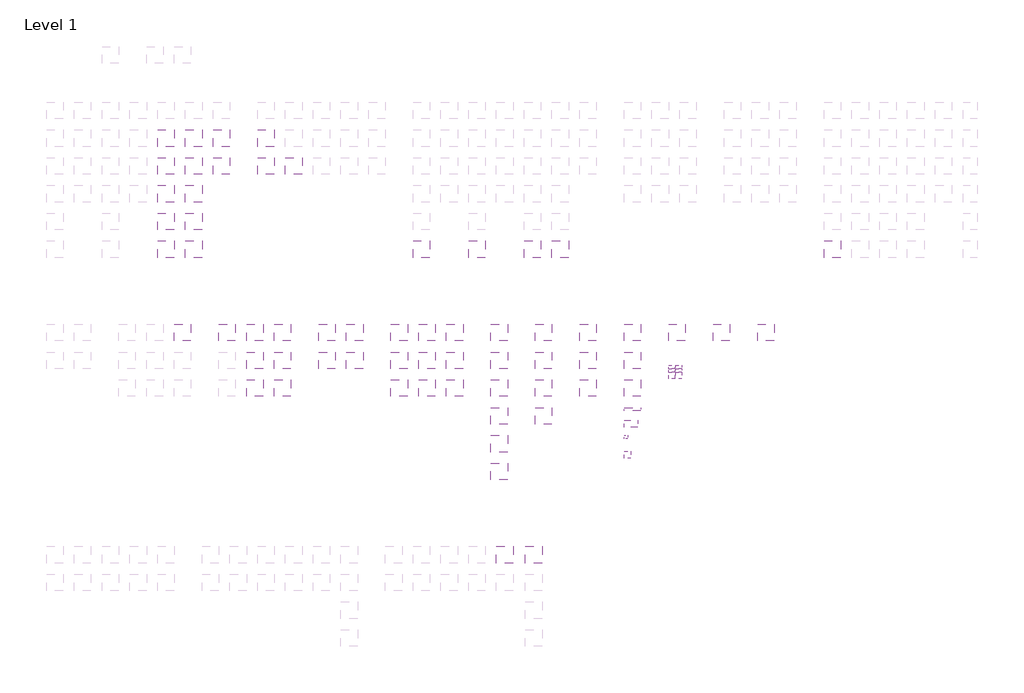
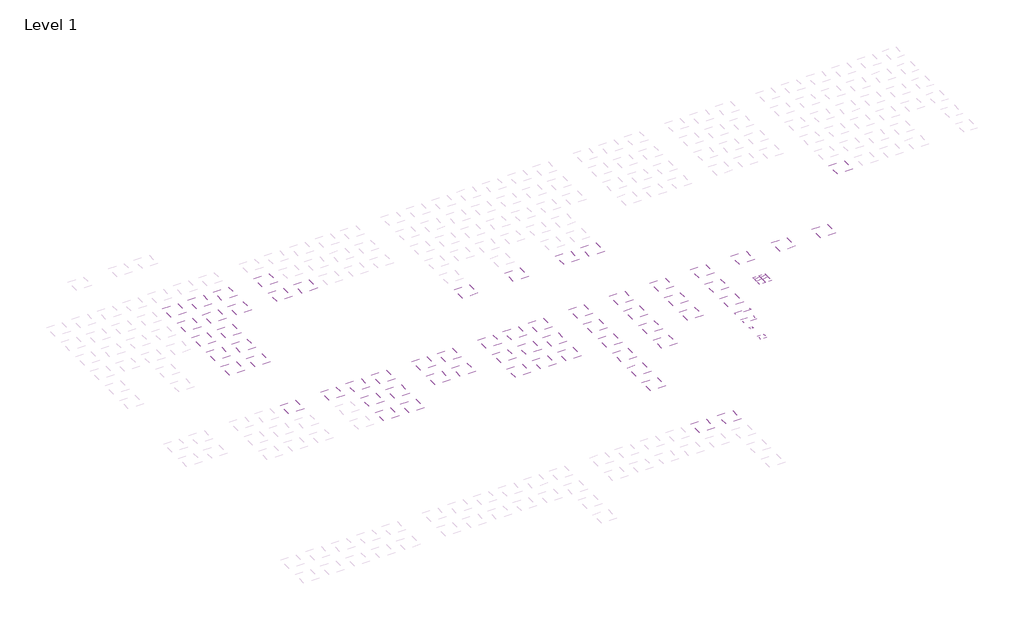
# One storey, part 2 of 90: 72 coverings.
"""IFC4 building model written with IfcOpenShell, lengths in millimetres."""

from ifc_helpers import new_model, si_unit, frame, origin, place, context, project, spatial, polyline, outline, extrude, element, save

model = new_model("IFC4")

# Units and contexts
model_context = context("Model", 3, world=origin())
ifc_project = project(units=[si_unit("LENGTHUNIT", "METRE", prefix="MILLI")], contexts=[model_context])

# Site, building, storey
site = spatial("IfcSite", under=ifc_project)
building = spatial("IfcBuilding", under=site)
storey = spatial("IfcBuildingStorey", under=building, Name="Level 1", Elevation=0.0)

# Coverings
placement = place(None, origin())
element("IfcCovering", 1, at=placement, inside=storey, context=model_context, shape_type="SweptSolid", body=[
    extrude(outline(polyline([(81921.3888175, -82496.7559295), (81921.3888175, -85496.7559295), (78921.3888175, -85496.7559295), (78921.3888175, -82496.7559295), (81921.3888175, -82496.7559295)])), frame((0.0, 0.0, 2600.0), z_axis=(0.0, 0.0, 1.0), x_axis=(1.0, 0.0, 0.0)), (0.0, 0.0, 1.0), 48.0),
])
element("IfcCovering", 2, at=placement, inside=storey, context=model_context, shape_type="SweptSolid", body=[
    extrude(outline(polyline([(81921.3888175, -87496.7559295), (81921.3888175, -90496.7559295), (78921.3888175, -90496.7559295), (78921.3888175, -87496.7559295), (81921.3888175, -87496.7559295)])), frame((0.0, 0.0, 2600.0), z_axis=(0.0, 0.0, 1.0), x_axis=(1.0, 0.0, 0.0)), (0.0, 0.0, 1.0), 48.0),
])
element("IfcCovering", 3, at=placement, inside=storey, context=model_context, shape_type="SweptSolid", body=[
    extrude(outline(polyline([(16921.3888175, -82496.7559295), (16921.3888175, -85496.7559295), (13921.3888175, -85496.7559295), (13921.3888175, -82496.7559295), (16921.3888175, -82496.7559295)])), frame((0.0, 0.0, 2600.0), z_axis=(0.0, 0.0, 1.0), x_axis=(1.0, 0.0, 0.0)), (0.0, 0.0, 1.0), 38.0),
])
element("IfcCovering", 4, at=placement, inside=storey, context=model_context, shape_type="SweptSolid", body=[
    extrude(outline(polyline([(26921.3888175, -82496.7559295), (26921.3888175, -85496.7559295), (23921.3888175, -85496.7559295), (23921.3888175, -82496.7559295), (26921.3888175, -82496.7559295)])), frame((0.0, 0.0, 2600.0), z_axis=(0.0, 0.0, 1.0), x_axis=(1.0, 0.0, 0.0)), (0.0, 0.0, 1.0), 48.0),
])
element("IfcCovering", 5, at=placement, inside=storey, context=model_context, shape_type="SweptSolid", body=[
    extrude(outline(polyline([(26921.3888175, -87496.7559295), (26921.3888175, -90496.7559295), (23921.3888175, -90496.7559295), (23921.3888175, -87496.7559295), (26921.3888175, -87496.7559295)])), frame((0.0, 0.0, 2600.0), z_axis=(0.0, 0.0, 1.0), x_axis=(1.0, 0.0, 0.0)), (0.0, 0.0, 1.0), 48.0),
])
element("IfcCovering", 6, at=placement, inside=storey, context=model_context, shape_type="SweptSolid", body=[
    extrude(outline(polyline([(51921.3888175, -67496.7559295), (51921.3888175, -70496.7559295), (48921.3888175, -70496.7559295), (48921.3888175, -67496.7559295), (51921.3888175, -67496.7559295)])), frame((0.0, 0.0, 2600.0), z_axis=(0.0, 0.0, 1.0), x_axis=(1.0, 0.0, 0.0)), (0.0, 0.0, 1.0), 38.0),
])
element("IfcCovering", 7, at=placement, inside=storey, context=model_context, shape_type="SweptSolid", body=[
    extrude(outline(polyline([(61921.3888175, -67496.7559295), (61921.3888175, -70496.7559295), (58921.3888175, -70496.7559295), (58921.3888175, -67496.7559295), (61921.3888175, -67496.7559295)])), frame((0.0, 0.0, 2600.0), z_axis=(0.0, 0.0, 1.0), x_axis=(1.0, 0.0, 0.0)), (0.0, 0.0, 1.0), 38.0),
])
element("IfcCovering", 8, at=placement, inside=storey, context=model_context, shape_type="SweptSolid", body=[
    extrude(outline(polyline([(71921.3888175, -67496.7559295), (71921.3888175, -70496.7559295), (68921.3888175, -70496.7559295), (68921.3888175, -67496.7559295), (71921.3888175, -67496.7559295)])), frame((0.0, 0.0, 2600.0), z_axis=(0.0, 0.0, 1.0), x_axis=(1.0, 0.0, 0.0)), (0.0, 0.0, 1.0), 38.0),
])
element("IfcCovering", 9, at=placement, inside=storey, context=model_context, shape_type="SweptSolid", body=[
    extrude(outline(polyline([(76921.3888175, -67496.7559295), (76921.3888175, -70496.7559295), (73921.3888175, -70496.7559295), (73921.3888175, -67496.7559295), (76921.3888175, -67496.7559295)])), frame((0.0, 0.0, 2600.0), z_axis=(0.0, 0.0, 1.0), x_axis=(1.0, 0.0, 0.0)), (0.0, 0.0, 1.0), 38.0),
])
element("IfcCovering", 10, at=placement, inside=storey, context=model_context, shape_type="SweptSolid", body=[
    extrude(outline(polyline([(5921.3888175, -52496.7559295), (5921.3888175, -55496.7559295), (2921.3888175, -55496.7559295), (2921.3888175, -52496.7559295), (5921.3888175, -52496.7559295)])), frame((0.0, 0.0, 2600.0), z_axis=(0.0, 0.0, 1.0), x_axis=(1.0, 0.0, 0.0)), (0.0, 0.0, 1.0), 38.0),
])
element("IfcCovering", 11, at=placement, inside=storey, context=model_context, shape_type="SweptSolid", body=[
    extrude(outline(polyline([(5921.3888175, -57496.7559295), (5921.3888175, -60496.7559295), (2921.3888175, -60496.7559295), (2921.3888175, -57496.7559295), (5921.3888175, -57496.7559295)])), frame((0.0, 0.0, 2600.0), z_axis=(0.0, 0.0, 1.0), x_axis=(1.0, 0.0, 0.0)), (0.0, 0.0, 1.0), 38.0),
])
element("IfcCovering", 12, at=placement, inside=storey, context=model_context, shape_type="SweptSolid", body=[
    extrude(outline(polyline([(5921.3888175, -67496.7559295), (5921.3888175, -70496.7559295), (2921.3888175, -70496.7559295), (2921.3888175, -67496.7559295), (5921.3888175, -67496.7559295)])), frame((0.0, 0.0, 2600.0), z_axis=(0.0, 0.0, 1.0), x_axis=(1.0, 0.0, 0.0)), (0.0, 0.0, 1.0), 38.0),
])
element("IfcCovering", 13, at=placement, inside=storey, context=model_context, shape_type="SweptSolid", body=[
    extrude(outline(polyline([(10921.3888175, -52496.7559295), (10921.3888175, -55496.7559295), (7921.3888175, -55496.7559295), (7921.3888175, -52496.7559295), (10921.3888175, -52496.7559295)])), frame((0.0, 0.0, 2600.0), z_axis=(0.0, 0.0, 1.0), x_axis=(1.0, 0.0, 0.0)), (0.0, 0.0, 1.0), 38.0),
])
element("IfcCovering", 14, at=placement, inside=storey, context=model_context, shape_type="SweptSolid", body=[
    extrude(outline(polyline([(10921.3888175, -57496.7559295), (10921.3888175, -60496.7559295), (7921.3888175, -60496.7559295), (7921.3888175, -57496.7559295), (10921.3888175, -57496.7559295)])), frame((0.0, 0.0, 2600.0), z_axis=(0.0, 0.0, 1.0), x_axis=(1.0, 0.0, 0.0)), (0.0, 0.0, 1.0), 38.0),
])
element("IfcCovering", 15, at=placement, inside=storey, context=model_context, shape_type="SweptSolid", body=[
    extrude(outline(polyline([(10921.3888175, -67496.7559295), (10921.3888175, -70496.7559295), (7921.3888175, -70496.7559295), (7921.3888175, -67496.7559295), (10921.3888175, -67496.7559295)])), frame((0.0, 0.0, 2600.0), z_axis=(0.0, 0.0, 1.0), x_axis=(1.0, 0.0, 0.0)), (0.0, 0.0, 1.0), 38.0),
])
element("IfcCovering", 16, at=placement, inside=storey, context=model_context, shape_type="SweptSolid", body=[
    extrude(outline(polyline([(15921.3888175, -52496.7559295), (15921.3888175, -55496.7559295), (12921.3888175, -55496.7559295), (12921.3888175, -52496.7559295), (15921.3888175, -52496.7559295)])), frame((0.0, 0.0, 2600.0), z_axis=(0.0, 0.0, 1.0), x_axis=(1.0, 0.0, 0.0)), (0.0, 0.0, 1.0), 38.0),
])
element("IfcCovering", 17, at=placement, inside=storey, context=model_context, shape_type="SweptSolid", body=[
    extrude(outline(polyline([(26921.3888175, -92496.7559295), (26921.3888175, -95496.7559295), (23921.3888175, -95496.7559295), (23921.3888175, -92496.7559295), (26921.3888175, -92496.7559295)])), frame((0.0, 0.0, 2600.0), z_axis=(0.0, 0.0, 1.0), x_axis=(1.0, 0.0, 0.0)), (0.0, 0.0, 1.0), 48.0),
])
element("IfcCovering", 18, at=placement, inside=storey, context=model_context, shape_type="SweptSolid", body=[
    extrude(outline(polyline([(81921.3888175, -92496.7559295), (81921.3888175, -95496.7559295), (78921.3888175, -95496.7559295), (78921.3888175, -92496.7559295), (81921.3888175, -92496.7559295)])), frame((0.0, 0.0, 2600.0), z_axis=(0.0, 0.0, 1.0), x_axis=(1.0, 0.0, 0.0)), (0.0, 0.0, 1.0), 48.0),
])
element("IfcCovering", 19, at=placement, inside=storey, context=model_context, shape_type="SweptSolid", body=[
    extrude(outline(polyline([(5921.3888175, -47496.7559295), (5921.3888175, -50496.7559295), (2921.3888175, -50496.7559295), (2921.3888175, -47496.7559295), (5921.3888175, -47496.7559295)])), frame((0.0, 0.0, 2600.0), z_axis=(0.0, 0.0, 1.0), x_axis=(1.0, 0.0, 0.0)), (0.0, 0.0, 1.0), 38.0),
])
element("IfcCovering", 20, at=placement, inside=storey, context=model_context, shape_type="SweptSolid", body=[
    extrude(outline(polyline([(10921.3888175, -47496.7559295), (10921.3888175, -50496.7559295), (7921.3888175, -50496.7559295), (7921.3888175, -47496.7559295), (10921.3888175, -47496.7559295)])), frame((0.0, 0.0, 2600.0), z_axis=(0.0, 0.0, 1.0), x_axis=(1.0, 0.0, 0.0)), (0.0, 0.0, 1.0), 38.0),
])
element("IfcCovering", 21, at=placement, inside=storey, context=model_context, shape_type="SweptSolid", body=[
    extrude(outline(polyline([(15921.3888175, -47496.7559295), (15921.3888175, -50496.7559295), (12921.3888175, -50496.7559295), (12921.3888175, -47496.7559295), (15921.3888175, -47496.7559295)])), frame((0.0, 0.0, 2600.0), z_axis=(0.0, 0.0, 1.0), x_axis=(1.0, 0.0, 0.0)), (0.0, 0.0, 1.0), 38.0),
])
element("IfcCovering", 22, at=placement, inside=storey, context=model_context, shape_type="SweptSolid", body=[
    extrude(outline(polyline([(5921.3888175, -62496.7559295), (5921.3888175, -65496.7559295), (2921.3888175, -65496.7559295), (2921.3888175, -62496.7559295), (5921.3888175, -62496.7559295)])), frame((0.0, 0.0, 2600.0), z_axis=(0.0, 0.0, 1.0), x_axis=(1.0, 0.0, 0.0)), (0.0, 0.0, 1.0), 38.0),
])
element("IfcCovering", 23, at=placement, inside=storey, context=model_context, shape_type="SweptSolid", body=[
    extrude(outline(polyline([(10921.3888175, -62496.7559295), (10921.3888175, -65496.7559295), (7921.3888175, -65496.7559295), (7921.3888175, -62496.7559295), (10921.3888175, -62496.7559295)])), frame((0.0, 0.0, 2600.0), z_axis=(0.0, 0.0, 1.0), x_axis=(1.0, 0.0, 0.0)), (0.0, 0.0, 1.0), 38.0),
])
element("IfcCovering", 24, at=placement, inside=storey, context=model_context, shape_type="SweptSolid", body=[
    extrude(outline(polyline([(21921.3888175, -82496.7559295), (21921.3888175, -85496.7559295), (18921.3888175, -85496.7559295), (18921.3888175, -82496.7559295), (21921.3888175, -82496.7559295)])), frame((0.0, 0.0, 2600.0), z_axis=(0.0, 0.0, 1.0), x_axis=(1.0, 0.0, 0.0)), (0.0, 0.0, 1.0), 38.0),
])
element("IfcCovering", 25, at=placement, inside=storey, context=model_context, shape_type="SweptSolid", body=[
    extrude(outline(polyline([(21921.3888175, -92496.7559295), (21921.3888175, -95496.7559295), (18921.3888175, -95496.7559295), (18921.3888175, -92496.7559295), (21921.3888175, -92496.7559295)])), frame((0.0, 0.0, 2600.0), z_axis=(0.0, 0.0, 1.0), x_axis=(1.0, 0.0, 0.0)), (0.0, 0.0, 1.0), 38.0),
])
element("IfcCovering", 26, at=placement, inside=storey, context=model_context, shape_type="SweptSolid", body=[
    extrude(outline(polyline([(39921.3888175, -82496.7559295), (39921.3888175, -85496.7559295), (36921.3888175, -85496.7559295), (36921.3888175, -82496.7559295), (39921.3888175, -82496.7559295)])), frame((0.0, 0.0, 2600.0), z_axis=(0.0, 0.0, 1.0), x_axis=(1.0, 0.0, 0.0)), (0.0, 0.0, 1.0), 38.0),
])
element("IfcCovering", 27, at=placement, inside=storey, context=model_context, shape_type="SweptSolid", body=[
    extrude(outline(polyline([(39921.3888175, -87496.7559295), (39921.3888175, -90496.7559295), (36921.3888175, -90496.7559295), (36921.3888175, -87496.7559295), (39921.3888175, -87496.7559295)])), frame((0.0, 0.0, 2600.0), z_axis=(0.0, 0.0, 1.0), x_axis=(1.0, 0.0, 0.0)), (0.0, 0.0, 1.0), 38.0),
])
element("IfcCovering", 28, at=placement, inside=storey, context=model_context, shape_type="SweptSolid", body=[
    extrude(outline(polyline([(23921.3888175, -47496.7559295), (23921.3888175, -50496.7559295), (20921.3888175, -50496.7559295), (20921.3888175, -47496.7559295), (23921.3888175, -47496.7559295)])), frame((0.0, 0.0, 2600.0), z_axis=(0.0, 0.0, 1.0), x_axis=(1.0, 0.0, 0.0)), (0.0, 0.0, 1.0), 37.0),
])
element("IfcCovering", 29, at=placement, inside=storey, context=model_context, shape_type="SweptSolid", body=[
    extrude(outline(polyline([(65921.3888175, -82496.7559295), (65921.3888175, -85496.7559295), (62921.3888175, -85496.7559295), (62921.3888175, -82496.7559295), (65921.3888175, -82496.7559295)])), frame((0.0, 0.0, 2600.0), z_axis=(0.0, 0.0, 1.0), x_axis=(1.0, 0.0, 0.0)), (0.0, 0.0, 1.0), 43.0),
])
element("IfcCovering", 30, at=placement, inside=storey, context=model_context, shape_type="SweptSolid", body=[
    extrude(outline(polyline([(65921.3888175, -87496.7559295), (65921.3888175, -90496.7559295), (62921.3888175, -90496.7559295), (62921.3888175, -87496.7559295), (65921.3888175, -87496.7559295)])), frame((0.0, 0.0, 2600.0), z_axis=(0.0, 0.0, 1.0), x_axis=(1.0, 0.0, 0.0)), (0.0, 0.0, 1.0), 43.0),
])
element("IfcCovering", 31, at=placement, inside=storey, context=model_context, shape_type="SweptSolid", body=[
    extrude(outline(polyline([(65921.3888175, -92496.7559295), (65921.3888175, -95496.7559295), (62921.3888175, -95496.7559295), (62921.3888175, -92496.7559295), (65921.3888175, -92496.7559295)])), frame((0.0, 0.0, 2600.0), z_axis=(0.0, 0.0, 1.0), x_axis=(1.0, 0.0, 0.0)), (0.0, 0.0, 1.0), 43.0),
])
element("IfcCovering", 32, at=placement, inside=storey, context=model_context, shape_type="SweptSolid", body=[
    extrude(outline(polyline([(65921.3888175, -97496.7559295), (65921.3888175, -100496.7559295), (62921.3888175, -100496.7559295), (62921.3888175, -97496.7559295), (65921.3888175, -97496.7559295)])), frame((0.0, 0.0, 2600.0), z_axis=(0.0, 0.0, 1.0), x_axis=(1.0, 0.0, 0.0)), (0.0, 0.0, 1.0), 43.0),
])
element("IfcCovering", 33, at=placement, inside=storey, context=model_context, shape_type="SweptSolid", body=[
    extrude(outline(polyline([(65921.3888175, -102496.7559295), (65921.3888175, -105496.7559295), (62921.3888175, -105496.7559295), (62921.3888175, -102496.7559295), (65921.3888175, -102496.7559295)])), frame((0.0, 0.0, 2600.0), z_axis=(0.0, 0.0, 1.0), x_axis=(1.0, 0.0, 0.0)), (0.0, 0.0, 1.0), 43.0),
])
element("IfcCovering", 34, at=placement, inside=storey, context=model_context, shape_type="SweptSolid", body=[
    extrude(outline(polyline([(65921.3888175, -107496.7559295), (65921.3888175, -110496.7559295), (62921.3888175, -110496.7559295), (62921.3888175, -107496.7559295), (65921.3888175, -107496.7559295)])), frame((0.0, 0.0, 2600.0), z_axis=(0.0, 0.0, 1.0), x_axis=(1.0, 0.0, 0.0)), (0.0, 0.0, 1.0), 43.0),
])
element("IfcCovering", 35, at=placement, inside=storey, context=model_context, shape_type="SweptSolid", body=[
    extrude(outline(polyline([(105921.3888175, -85496.7559295), (102921.3888175, -85496.7559295), (102921.3888175, -82496.7559295), (105921.3888175, -82496.7559295), (105921.3888175, -85496.7559295)])), frame((0.0, 0.0, 2600.0), z_axis=(0.0, 0.0, 1.0), x_axis=(1.0, 0.0, 0.0)), (0.0, 0.0, 1.0), 38.0),
])
element("IfcCovering", 36, at=placement, inside=storey, context=model_context, shape_type="SweptSolid", body=[
    extrude(outline(polyline([(66921.3888175, -122496.7559295), (66921.3888175, -125496.7559295), (63921.3888175, -125496.7559295), (63921.3888175, -122496.7559295), (66921.3888175, -122496.7559295)])), frame((0.0, 0.0, 2600.0), z_axis=(0.0, 0.0, 1.0), x_axis=(1.0, 0.0, 0.0)), (0.0, 0.0, 1.0), 38.0),
])
element("IfcCovering", 37, at=placement, inside=storey, context=model_context, shape_type="SweptSolid", body=[
    extrude(outline(polyline([(72151.3236559, -122496.7559295), (72151.3236559, -125496.7559295), (69151.3236559, -125496.7559295), (69151.3236559, -122496.7559295), (72151.3236559, -122496.7559295)])), frame((0.0, 0.0, 2600.0), z_axis=(0.0, 0.0, 1.0), x_axis=(1.0, 0.0, 0.0)), (0.0, 0.0, 1.0), 40.0),
])
element("IfcCovering", 38, at=placement, inside=storey, context=model_context, shape_type="SweptSolid", body=[
    extrude(outline(polyline([(21921.3888175, -87496.7559295), (21921.3888175, -90496.7559295), (18921.3888175, -90496.7559295), (18921.3888175, -87496.7559295), (21921.3888175, -87496.7559295)])), frame((0.0, 0.0, 2600.0), z_axis=(0.0, 0.0, 1.0), x_axis=(1.0, 0.0, 0.0)), (0.0, 0.0, 1.0), 38.0),
])
element("IfcCovering", 39, at=placement, inside=storey, context=model_context, shape_type="SweptSolid", body=[
    extrude(outline(polyline([(23921.3888175, -52496.7559295), (23921.3888175, -55496.7559295), (20921.3888175, -55496.7559295), (20921.3888175, -52496.7559295), (23921.3888175, -52496.7559295)])), frame((0.0, 0.0, 2600.0), z_axis=(0.0, 0.0, 1.0), x_axis=(1.0, 0.0, 0.0)), (0.0, 0.0, 1.0), 37.0),
])
element("IfcCovering", 40, at=placement, inside=storey, context=model_context, shape_type="SweptSolid", body=[
    extrude(outline(polyline([(28921.3888175, -52496.7559295), (28921.3888175, -55496.7559295), (25921.3888175, -55496.7559295), (25921.3888175, -52496.7559295), (28921.3888175, -52496.7559295)])), frame((0.0, 0.0, 2600.0), z_axis=(0.0, 0.0, 1.0), x_axis=(1.0, 0.0, 0.0)), (0.0, 0.0, 1.0), 37.0),
])
element("IfcCovering", 41, at=placement, inside=storey, context=model_context, shape_type="SweptSolid", body=[
    extrude(outline(polyline([(125921.3888175, -67496.7559295), (125921.3888175, -70496.7559295), (122921.3888175, -70496.7559295), (122921.3888175, -67496.7559295), (125921.3888175, -67496.7559295)])), frame((0.0, 0.0, 2600.0), z_axis=(0.0, 0.0, 1.0), x_axis=(1.0, 0.0, 0.0)), (0.0, 0.0, 1.0), 38.0),
])
element("IfcCovering", 42, at=placement, inside=storey, context=model_context, shape_type="SweptSolid", body=[
    extrude(outline(polyline([(113921.3888175, -85496.7559295), (110921.3888175, -85496.7559295), (110921.3888175, -82496.7559295), (113921.3888175, -82496.7559295), (113921.3888175, -85496.7559295)])), frame((0.0, 0.0, 2600.0), z_axis=(0.0, 0.0, 1.0), x_axis=(1.0, 0.0, 0.0)), (0.0, 0.0, 1.0), 38.0),
])
element("IfcCovering", 43, at=placement, inside=storey, context=model_context, shape_type="SweptSolid", body=[
    extrude(outline(polyline([(73921.3888175, -85496.7559295), (70921.3888175, -85496.7559295), (70921.3888175, -82496.7559295), (73921.3888175, -82496.7559295), (73921.3888175, -85496.7559295)])), frame((0.0, 0.0, 2600.0), z_axis=(0.0, 0.0, 1.0), x_axis=(1.0, 0.0, 0.0)), (0.0, 0.0, 1.0), 38.0),
])
element("IfcCovering", 44, at=placement, inside=storey, context=model_context, shape_type="SweptSolid", body=[
    extrude(outline(polyline([(86921.3888175, -98096.7559295), (86921.3888175, -97496.7559295), (89921.3888175, -97496.7559295), (89921.3888175, -98096.7559295), (86921.3888175, -98096.7559295)])), frame((0.0, 0.0, 2600.0), z_axis=(0.0, 0.0, 1.0), x_axis=(1.0, 0.0, 0.0)), (0.0, 0.0, 1.0), 38.0),
])
element("IfcCovering", 45, at=placement, inside=storey, context=model_context, shape_type="SweptSolid", body=[
    extrude(outline(polyline([(86921.3888175, -102496.7559295), (87521.3888175, -102496.7559295), (87521.3888175, -103096.7559295), (86921.3888175, -103096.7559295), (86921.3888175, -102496.7559295)])), frame((0.0, 0.0, 2600.0), z_axis=(0.0, 0.0, 1.0), x_axis=(1.0, 0.0, 0.0)), (0.0, 0.0, 1.0), 38.0),
])
element("IfcCovering", 46, at=placement, inside=storey, context=model_context, shape_type="SweptSolid", body=[
    extrude(outline(polyline([(73921.3888175, -87496.7559295), (73921.3888175, -90496.7559295), (70921.3888175, -90496.7559295), (70921.3888175, -87496.7559295), (73921.3888175, -87496.7559295)])), frame((0.0, 0.0, 2600.0), z_axis=(0.0, 0.0, 1.0), x_axis=(1.0, 0.0, 0.0)), (0.0, 0.0, 1.0), 43.0),
])
element("IfcCovering", 47, at=placement, inside=storey, context=model_context, shape_type="SweptSolid", body=[
    extrude(outline(polyline([(73921.3888175, -92496.7559295), (73921.3888175, -95496.7559295), (70921.3888175, -95496.7559295), (70921.3888175, -92496.7559295), (73921.3888175, -92496.7559295)])), frame((0.0, 0.0, 2600.0), z_axis=(0.0, 0.0, 1.0), x_axis=(1.0, 0.0, 0.0)), (0.0, 0.0, 1.0), 38.0),
])
element("IfcCovering", 48, at=placement, inside=storey, context=model_context, shape_type="SweptSolid", body=[
    extrude(outline(polyline([(73921.3888175, -97496.7559295), (73921.3888175, -100496.7559295), (70921.3888175, -100496.7559295), (70921.3888175, -97496.7559295), (73921.3888175, -97496.7559295)])), frame((0.0, 0.0, 2600.0), z_axis=(0.0, 0.0, 1.0), x_axis=(1.0, 0.0, 0.0)), (0.0, 0.0, 1.0), 43.0),
])
element("IfcCovering", 49, at=placement, inside=storey, context=model_context, shape_type="SweptSolid", body=[
    extrude(outline(polyline([(97921.3888175, -85496.7559295), (94921.3888175, -85496.7559295), (94921.3888175, -82496.7559295), (97921.3888175, -82496.7559295), (97921.3888175, -85496.7559295)])), frame((0.0, 0.0, 2600.0), z_axis=(0.0, 0.0, 1.0), x_axis=(1.0, 0.0, 0.0)), (0.0, 0.0, 1.0), 90.0),
])
element("IfcCovering", 50, at=placement, inside=storey, context=model_context, shape_type="SweptSolid", body=[
    extrude(outline(polyline([(89921.3888175, -85496.7559295), (86921.3888175, -85496.7559295), (86921.3888175, -82496.7559295), (89921.3888175, -82496.7559295), (89921.3888175, -85496.7559295)])), frame((0.0, 0.0, 2600.0), z_axis=(0.0, 0.0, 1.0), x_axis=(1.0, 0.0, 0.0)), (0.0, 0.0, 1.0), 38.0),
])
element("IfcCovering", 51, at=placement, inside=storey, context=model_context, shape_type="SweptSolid", body=[
    extrude(outline(polyline([(86921.3888175, -95496.7559295), (86921.3888175, -92496.7559295), (89921.3888175, -92496.7559295), (89921.3888175, -95496.7559295), (86921.3888175, -95496.7559295)])), frame((0.0, 0.0, 2600.0), z_axis=(0.0, 0.0, 1.0), x_axis=(1.0, 0.0, 0.0)), (0.0, 0.0, 1.0), 38.0),
])
element("IfcCovering", 52, at=placement, inside=storey, context=model_context, shape_type="SweptSolid", body=[
    extrude(outline(polyline([(89921.3888175, -90496.7559295), (86921.3888175, -90496.7559295), (86921.3888175, -87496.7559295), (89921.3888175, -87496.7559295), (89921.3888175, -90496.7559295)])), frame((0.0, 0.0, 2600.0), z_axis=(0.0, 0.0, 1.0), x_axis=(1.0, 0.0, 0.0)), (0.0, 0.0, 1.0), 43.0),
])
element("IfcCovering", 53, at=placement, inside=storey, context=model_context, shape_type="SweptSolid", body=[
    extrude(outline(polyline([(86921.3888175, -100996.7559295), (86921.3888175, -99796.7559295), (89321.3888175, -99796.7559295), (89321.3888175, -100996.7559295), (86921.3888175, -100996.7559295)])), frame((0.0, 0.0, 2600.0), z_axis=(0.0, 0.0, 1.0), x_axis=(1.0, 0.0, 0.0)), (0.0, 0.0, 1.0), 43.0),
])
element("IfcCovering", 54, at=placement, inside=storey, context=model_context, shape_type="SweptSolid", body=[
    extrude(outline(polyline([(86921.3888175, -105396.7559295), (88121.3888175, -105396.7559295), (88121.3888175, -106596.7559295), (86921.3888175, -106596.7559295), (86921.3888175, -105396.7559295)])), frame((0.0, 0.0, 2600.0), z_axis=(0.0, 0.0, 1.0), x_axis=(1.0, 0.0, 0.0)), (0.0, 0.0, 1.0), 43.0),
])
element("IfcCovering", 55, at=placement, inside=storey, context=model_context, shape_type="SweptSolid", body=[
    extrude(outline(polyline([(94921.3888175, -91096.7559295), (94921.3888175, -90496.7559295), (96121.3888175, -90496.7559295), (96121.3888175, -91096.7559295), (94921.3888175, -91096.7559295)])), frame((0.0, 0.0, 2600.0), z_axis=(0.0, 0.0, 1.0), x_axis=(1.0, 0.0, 0.0)), (0.0, 0.0, 1.0), 38.0),
    extrude(outline(polyline([(97321.3888175, -91096.7559295), (97321.3888175, -90496.7559295), (98521.3888175, -90496.7559295), (98521.3888175, -91096.7559295), (97321.3888175, -91096.7559295)])), frame((0.0, 0.0, 2600.0), z_axis=(0.0, 0.0, 1.0), x_axis=(1.0, 0.0, 0.0)), (0.0, 0.0, 1.0), 38.0),
    extrude(outline(polyline([(99721.3888175, -91096.7559295), (99721.3888175, -90496.7559295), (100921.3888175, -90496.7559295), (100921.3888175, -91096.7559295), (99721.3888175, -91096.7559295)])), frame((0.0, 0.0, 2600.0), z_axis=(0.0, 0.0, 1.0), x_axis=(1.0, 0.0, 0.0)), (0.0, 0.0, 1.0), 38.0),
    extrude(outline(polyline([(94921.3888175, -88696.7559295), (94921.3888175, -88096.7559295), (96121.3888175, -88096.7559295), (96121.3888175, -88696.7559295), (94921.3888175, -88696.7559295)])), frame((0.0, 0.0, 2600.0), z_axis=(0.0, 0.0, 1.0), x_axis=(1.0, 0.0, 0.0)), (0.0, 0.0, 1.0), 38.0),
    extrude(outline(polyline([(97321.3888175, -88696.7559295), (97321.3888175, -88096.7559295), (98521.3888175, -88096.7559295), (98521.3888175, -88696.7559295), (97321.3888175, -88696.7559295)])), frame((0.0, 0.0, 2600.0), z_axis=(0.0, 0.0, 1.0), x_axis=(1.0, 0.0, 0.0)), (0.0, 0.0, 1.0), 38.0),
    extrude(outline(polyline([(99721.3888175, -88696.7559295), (99721.3888175, -88096.7559295), (100921.3888175, -88096.7559295), (100921.3888175, -88696.7559295), (99721.3888175, -88696.7559295)])), frame((0.0, 0.0, 2600.0), z_axis=(0.0, 0.0, 1.0), x_axis=(1.0, 0.0, 0.0)), (0.0, 0.0, 1.0), 38.0),
])
element("IfcCovering", 56, at=placement, inside=storey, context=model_context, shape_type="SweptSolid", body=[
    extrude(outline(polyline([(98521.3888175, -92296.7559295), (97321.3888175, -92296.7559295), (97321.3888175, -91096.7559295), (98521.3888175, -91096.7559295), (98521.3888175, -92296.7559295)])), frame((0.0, 0.0, 2600.0), z_axis=(0.0, 0.0, 1.0), x_axis=(1.0, 0.0, 0.0)), (0.0, 0.0, 1.0), 43.0),
    extrude(outline(polyline([(100921.3888175, -92296.7559295), (99721.3888175, -92296.7559295), (99721.3888175, -91096.7559295), (100921.3888175, -91096.7559295), (100921.3888175, -92296.7559295)])), frame((0.0, 0.0, 2600.0), z_axis=(0.0, 0.0, 1.0), x_axis=(1.0, 0.0, 0.0)), (0.0, 0.0, 1.0), 43.0),
    extrude(outline(polyline([(96121.3888175, -92296.7559295), (94921.3888175, -92296.7559295), (94921.3888175, -91096.7559295), (96121.3888175, -91096.7559295), (96121.3888175, -92296.7559295)])), frame((0.0, 0.0, 2600.0), z_axis=(0.0, 0.0, 1.0), x_axis=(1.0, 0.0, 0.0)), (0.0, 0.0, 1.0), 43.0),
    extrude(outline(polyline([(99721.3888175, -89896.7559295), (98521.3888175, -89896.7559295), (98521.3888175, -88696.7559295), (99721.3888175, -88696.7559295), (99721.3888175, -89896.7559295)])), frame((0.0, 0.0, 2600.0), z_axis=(0.0, 0.0, 1.0), x_axis=(1.0, 0.0, 0.0)), (0.0, 0.0, 1.0), 43.0),
    extrude(outline(polyline([(97321.3888175, -89896.7559295), (96121.3888175, -89896.7559295), (96121.3888175, -88696.7559295), (97321.3888175, -88696.7559295), (97321.3888175, -89896.7559295)])), frame((0.0, 0.0, 2600.0), z_axis=(0.0, 0.0, 1.0), x_axis=(1.0, 0.0, 0.0)), (0.0, 0.0, 1.0), 43.0),
])
element("IfcCovering", 57, at=placement, inside=storey, context=model_context, shape_type="SweptSolid", body=[
    extrude(outline(polyline([(96121.3888175, -91096.7559295), (96121.3888175, -90496.7559295), (97321.3888175, -90496.7559295), (97321.3888175, -91096.7559295), (96121.3888175, -91096.7559295)])), frame((0.0, 0.0, 2600.0), z_axis=(0.0, 0.0, 1.0), x_axis=(1.0, 0.0, 0.0)), (0.0, 0.0, 1.0), 38.0),
    extrude(outline(polyline([(98521.3888175, -91096.7559295), (98521.3888175, -90496.7559295), (99721.3888175, -90496.7559295), (99721.3888175, -91096.7559295), (98521.3888175, -91096.7559295)])), frame((0.0, 0.0, 2600.0), z_axis=(0.0, 0.0, 1.0), x_axis=(1.0, 0.0, 0.0)), (0.0, 0.0, 1.0), 38.0),
    extrude(outline(polyline([(96121.3888175, -88696.7559295), (96121.3888175, -88096.7559295), (97321.3888175, -88096.7559295), (97321.3888175, -88696.7559295), (96121.3888175, -88696.7559295)])), frame((0.0, 0.0, 2600.0), z_axis=(0.0, 0.0, 1.0), x_axis=(1.0, 0.0, 0.0)), (0.0, 0.0, 1.0), 38.0),
    extrude(outline(polyline([(98521.3888175, -88696.7559295), (98521.3888175, -88096.7559295), (99721.3888175, -88096.7559295), (99721.3888175, -88696.7559295), (98521.3888175, -88696.7559295)])), frame((0.0, 0.0, 2600.0), z_axis=(0.0, 0.0, 1.0), x_axis=(1.0, 0.0, 0.0)), (0.0, 0.0, 1.0), 38.0),
])
element("IfcCovering", 58, at=placement, inside=storey, context=model_context, shape_type="SweptSolid", body=[
    extrude(outline(polyline([(97321.3888175, -92296.7559295), (96121.3888175, -92296.7559295), (96121.3888175, -91096.7559295), (97321.3888175, -91096.7559295), (97321.3888175, -92296.7559295)])), frame((0.0, 0.0, 2600.0), z_axis=(0.0, 0.0, 1.0), x_axis=(1.0, 0.0, 0.0)), (0.0, 0.0, 1.0), 43.0),
    extrude(outline(polyline([(99721.3888175, -92296.7559295), (98521.3888175, -92296.7559295), (98521.3888175, -91096.7559295), (99721.3888175, -91096.7559295), (99721.3888175, -92296.7559295)])), frame((0.0, 0.0, 2600.0), z_axis=(0.0, 0.0, 1.0), x_axis=(1.0, 0.0, 0.0)), (0.0, 0.0, 1.0), 43.0),
    extrude(outline(polyline([(98521.3888175, -89896.7559295), (97321.3888175, -89896.7559295), (97321.3888175, -88696.7559295), (98521.3888175, -88696.7559295), (98521.3888175, -89896.7559295)])), frame((0.0, 0.0, 2600.0), z_axis=(0.0, 0.0, 1.0), x_axis=(1.0, 0.0, 0.0)), (0.0, 0.0, 1.0), 43.0),
    extrude(outline(polyline([(100921.3888175, -89896.7559295), (99721.3888175, -89896.7559295), (99721.3888175, -88696.7559295), (100921.3888175, -88696.7559295), (100921.3888175, -89896.7559295)])), frame((0.0, 0.0, 2600.0), z_axis=(0.0, 0.0, 1.0), x_axis=(1.0, 0.0, 0.0)), (0.0, 0.0, 1.0), 43.0),
    extrude(outline(polyline([(96121.3888175, -89896.7559295), (94921.3888175, -89896.7559295), (94921.3888175, -88696.7559295), (96121.3888175, -88696.7559295), (96121.3888175, -89896.7559295)])), frame((0.0, 0.0, 2600.0), z_axis=(0.0, 0.0, 1.0), x_axis=(1.0, 0.0, 0.0)), (0.0, 0.0, 1.0), 43.0),
])
element("IfcCovering", 59, at=placement, inside=storey, context=model_context, shape_type="SweptSolid", body=[
    extrude(outline(polyline([(96121.3888175, -90496.7559295), (96121.3888175, -89896.7559295), (97321.3888175, -89896.7559295), (97321.3888175, -90496.7559295), (96121.3888175, -90496.7559295)])), frame((0.0, 0.0, 2600.0), z_axis=(0.0, 0.0, 1.0), x_axis=(1.0, 0.0, 0.0)), (0.0, 0.0, 1.0), 38.0),
    extrude(outline(polyline([(98521.3888175, -90496.7559295), (98521.3888175, -89896.7559295), (99721.3888175, -89896.7559295), (99721.3888175, -90496.7559295), (98521.3888175, -90496.7559295)])), frame((0.0, 0.0, 2600.0), z_axis=(0.0, 0.0, 1.0), x_axis=(1.0, 0.0, 0.0)), (0.0, 0.0, 1.0), 38.0),
    extrude(outline(polyline([(96121.3888175, -88096.7559295), (96121.3888175, -87496.7559295), (97321.3888175, -87496.7559295), (97321.3888175, -88096.7559295), (96121.3888175, -88096.7559295)])), frame((0.0, 0.0, 2600.0), z_axis=(0.0, 0.0, 1.0), x_axis=(1.0, 0.0, 0.0)), (0.0, 0.0, 1.0), 38.0),
    extrude(outline(polyline([(98521.3888175, -88096.7559295), (98521.3888175, -87496.7559295), (99721.3888175, -87496.7559295), (99721.3888175, -88096.7559295), (98521.3888175, -88096.7559295)])), frame((0.0, 0.0, 2600.0), z_axis=(0.0, 0.0, 1.0), x_axis=(1.0, 0.0, 0.0)), (0.0, 0.0, 1.0), 38.0),
])
element("IfcCovering", 60, at=placement, inside=storey, context=model_context, shape_type="SweptSolid", body=[
    extrude(outline(polyline([(97321.3888175, -90496.7559295), (97321.3888175, -89896.7559295), (98521.3888175, -89896.7559295), (98521.3888175, -90496.7559295), (97321.3888175, -90496.7559295)])), frame((0.0, 0.0, 2600.0), z_axis=(0.0, 0.0, 1.0), x_axis=(1.0, 0.0, 0.0)), (0.0, 0.0, 1.0), 38.0),
    extrude(outline(polyline([(99721.3888175, -90496.7559295), (99721.3888175, -89896.7559295), (100921.3888175, -89896.7559295), (100921.3888175, -90496.7559295), (99721.3888175, -90496.7559295)])), frame((0.0, 0.0, 2600.0), z_axis=(0.0, 0.0, 1.0), x_axis=(1.0, 0.0, 0.0)), (0.0, 0.0, 1.0), 38.0),
    extrude(outline(polyline([(94921.3888175, -90496.7559295), (94921.3888175, -89896.7559295), (96121.3888175, -89896.7559295), (96121.3888175, -90496.7559295), (94921.3888175, -90496.7559295)])), frame((0.0, 0.0, 2600.0), z_axis=(0.0, 0.0, 1.0), x_axis=(1.0, 0.0, 0.0)), (0.0, 0.0, 1.0), 38.0),
    extrude(outline(polyline([(97321.3888175, -88096.7559295), (97321.3888175, -87496.7559295), (98521.3888175, -87496.7559295), (98521.3888175, -88096.7559295), (97321.3888175, -88096.7559295)])), frame((0.0, 0.0, 2600.0), z_axis=(0.0, 0.0, 1.0), x_axis=(1.0, 0.0, 0.0)), (0.0, 0.0, 1.0), 38.0),
    extrude(outline(polyline([(99721.3888175, -88096.7559295), (99721.3888175, -87496.7559295), (100921.3888175, -87496.7559295), (100921.3888175, -88096.7559295), (99721.3888175, -88096.7559295)])), frame((0.0, 0.0, 2600.0), z_axis=(0.0, 0.0, 1.0), x_axis=(1.0, 0.0, 0.0)), (0.0, 0.0, 1.0), 38.0),
    extrude(outline(polyline([(94921.3888175, -88096.7559295), (94921.3888175, -87496.7559295), (96121.3888175, -87496.7559295), (96121.3888175, -88096.7559295), (94921.3888175, -88096.7559295)])), frame((0.0, 0.0, 2600.0), z_axis=(0.0, 0.0, 1.0), x_axis=(1.0, 0.0, 0.0)), (0.0, 0.0, 1.0), 38.0),
])
element("IfcCovering", 61, at=placement, inside=storey, context=model_context, shape_type="SweptSolid", body=[
    extrude(outline(polyline([(47921.3888175, -82496.7559295), (47921.3888175, -85496.7559295), (44921.3888175, -85496.7559295), (44921.3888175, -82496.7559295), (47921.3888175, -82496.7559295)])), frame((0.0, 0.0, 2600.0), z_axis=(0.0, 0.0, 1.0), x_axis=(1.0, 0.0, 0.0)), (0.0, 0.0, 1.0), 38.0),
])
element("IfcCovering", 62, at=placement, inside=storey, context=model_context, shape_type="SweptSolid", body=[
    extrude(outline(polyline([(47921.3888175, -92496.7559295), (47921.3888175, -95496.7559295), (44921.3888175, -95496.7559295), (44921.3888175, -92496.7559295), (47921.3888175, -92496.7559295)])), frame((0.0, 0.0, 2600.0), z_axis=(0.0, 0.0, 1.0), x_axis=(1.0, 0.0, 0.0)), (0.0, 0.0, 1.0), 38.0),
])
element("IfcCovering", 63, at=placement, inside=storey, context=model_context, shape_type="SweptSolid", body=[
    extrude(outline(polyline([(47921.3888175, -87496.7559295), (47921.3888175, -90496.7559295), (44921.3888175, -90496.7559295), (44921.3888175, -87496.7559295), (47921.3888175, -87496.7559295)])), frame((0.0, 0.0, 2600.0), z_axis=(0.0, 0.0, 1.0), x_axis=(1.0, 0.0, 0.0)), (0.0, 0.0, 1.0), 38.0),
])
element("IfcCovering", 64, at=placement, inside=storey, context=model_context, shape_type="SweptSolid", body=[
    extrude(outline(polyline([(52921.3888175, -82496.7559295), (52921.3888175, -85496.7559295), (49921.3888175, -85496.7559295), (49921.3888175, -82496.7559295), (52921.3888175, -82496.7559295)])), frame((0.0, 0.0, 2600.0), z_axis=(0.0, 0.0, 1.0), x_axis=(1.0, 0.0, 0.0)), (0.0, 0.0, 1.0), 38.0),
])
element("IfcCovering", 65, at=placement, inside=storey, context=model_context, shape_type="SweptSolid", body=[
    extrude(outline(polyline([(52921.3888175, -92496.7559295), (52921.3888175, -95496.7559295), (49921.3888175, -95496.7559295), (49921.3888175, -92496.7559295), (52921.3888175, -92496.7559295)])), frame((0.0, 0.0, 2600.0), z_axis=(0.0, 0.0, 1.0), x_axis=(1.0, 0.0, 0.0)), (0.0, 0.0, 1.0), 38.0),
])
element("IfcCovering", 66, at=placement, inside=storey, context=model_context, shape_type="SweptSolid", body=[
    extrude(outline(polyline([(52921.3888175, -87496.7559295), (52921.3888175, -90496.7559295), (49921.3888175, -90496.7559295), (49921.3888175, -87496.7559295), (52921.3888175, -87496.7559295)])), frame((0.0, 0.0, 2600.0), z_axis=(0.0, 0.0, 1.0), x_axis=(1.0, 0.0, 0.0)), (0.0, 0.0, 1.0), 38.0),
])
element("IfcCovering", 67, at=placement, inside=storey, context=model_context, shape_type="SweptSolid", body=[
    extrude(outline(polyline([(57921.3888175, -82496.7559295), (57921.3888175, -85496.7559295), (54921.3888175, -85496.7559295), (54921.3888175, -82496.7559295), (57921.3888175, -82496.7559295)])), frame((0.0, 0.0, 2600.0), z_axis=(0.0, 0.0, 1.0), x_axis=(1.0, 0.0, 0.0)), (0.0, 0.0, 1.0), 38.0),
])
element("IfcCovering", 68, at=placement, inside=storey, context=model_context, shape_type="SweptSolid", body=[
    extrude(outline(polyline([(57921.3888175, -92496.7559295), (57921.3888175, -95496.7559295), (54921.3888175, -95496.7559295), (54921.3888175, -92496.7559295), (57921.3888175, -92496.7559295)])), frame((0.0, 0.0, 2600.0), z_axis=(0.0, 0.0, 1.0), x_axis=(1.0, 0.0, 0.0)), (0.0, 0.0, 1.0), 38.0),
])
element("IfcCovering", 69, at=placement, inside=storey, context=model_context, shape_type="SweptSolid", body=[
    extrude(outline(polyline([(57921.3888175, -87496.7559295), (57921.3888175, -90496.7559295), (54921.3888175, -90496.7559295), (54921.3888175, -87496.7559295), (57921.3888175, -87496.7559295)])), frame((0.0, 0.0, 2600.0), z_axis=(0.0, 0.0, 1.0), x_axis=(1.0, 0.0, 0.0)), (0.0, 0.0, 1.0), 38.0),
])
element("IfcCovering", 70, ObjectType="OWA Bamboo Dark Regular Perforated S19 600x600_20", at=placement, inside=storey, context=model_context, shape_type="SweptSolid", body=[
    extrude(outline(polyline([(8921.3888175, -82496.7559295), (8921.3888175, -85496.7559295), (5921.3888175, -85496.7559295), (5921.3888175, -82496.7559295), (8921.3888175, -82496.7559295)])), frame((0.0, 0.0, 2600.0), z_axis=(0.0, 0.0, 1.0), x_axis=(1.0, 0.0, 0.0)), (0.0, 0.0, 1.0), 48.0),
])
element("IfcCovering", 71, ObjectType="OWA Bamboo Natural Color Plain S3 600x600_15", at=placement, inside=storey, context=model_context, shape_type="SweptSolid", body=[
    extrude(outline(polyline([(34921.3888175, -82496.7559295), (34921.3888175, -85496.7559295), (31921.3888175, -85496.7559295), (31921.3888175, -82496.7559295), (34921.3888175, -82496.7559295)])), frame((0.0, 0.0, 2600.0), z_axis=(0.0, 0.0, 1.0), x_axis=(1.0, 0.0, 0.0)), (0.0, 0.0, 1.0), 38.0),
])
element("IfcCovering", 72, ObjectType="OWA Bamboo Natural Color Plain S3 625x625_15", at=placement, inside=storey, context=model_context, shape_type="SweptSolid", body=[
    extrude(outline(polyline([(34921.3888175, -87496.7559295), (34921.3888175, -90496.7559295), (31921.3888175, -90496.7559295), (31921.3888175, -87496.7559295), (34921.3888175, -87496.7559295)])), frame((0.0, 0.0, 2600.0), z_axis=(0.0, 0.0, 1.0), x_axis=(1.0, 0.0, 0.0)), (0.0, 0.0, 1.0), 38.0),
])

save(model, "model.ifc")
